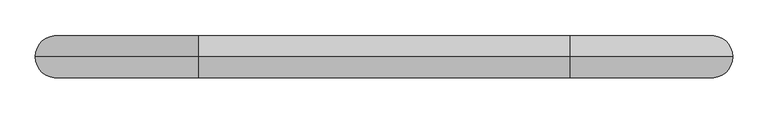
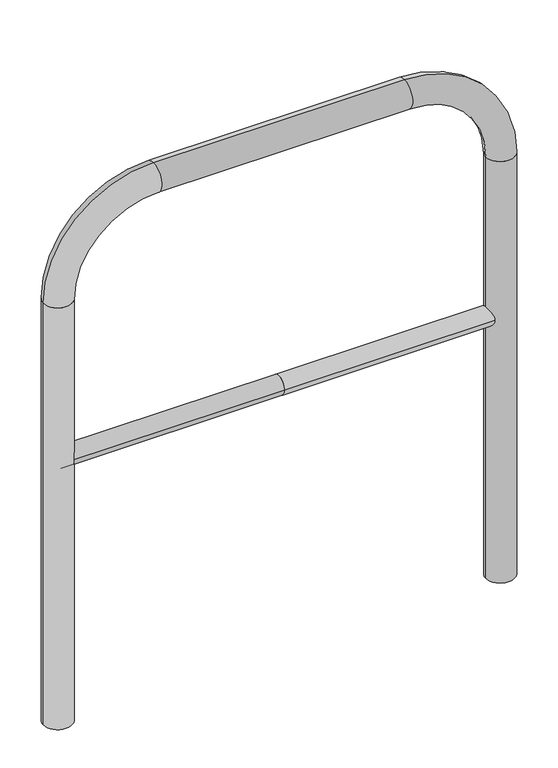
"""IFC4 building model written with IfcOpenShell, lengths in millimetres: proxy geometry."""

from ifc_helpers import new_model, si_unit, point, frame, frame_2d, origin, place, context, project, spatial, circle_curve, ellipse_curve, trimmed, segment, composite_curve, outline, extrude, source, transform, mapped, element, save
from ifc_brep_helpers import plane_surface, cylinder_surface, revolved_surface, advanced_brep


def generic_models_6cb215d6(model_context):
    return source(origin(), model_context, "Body", "SolidModel", [
        extrude(outline(composite_curve([segment(trimmed(circle_curve(frame_2d((0.0, 498.4778375)), 20.0), [point((-20.0, 498.4778375))], [point((20.0, 498.4778375))], False, "CARTESIAN"), True, "CONTINUOUS"), segment(trimmed(circle_curve(frame_2d((0.0, 498.4778375)), 20.0), [point((20.0, 498.4778375))], [point((-20.0, 498.4778375))], False, "CARTESIAN"), True, "CONTINUOUS")], self_intersect=False)), frame((-461.8496422, 0.0, 0.0), z_axis=(1.0, 0.0, 0.0), x_axis=(0.0, 1.0, 0.0)), (0.0, 0.0, 1.0), 461.8496422),
        extrude(outline(composite_curve([segment(trimmed(circle_curve(frame_2d((0.0, 498.4778375)), 20.0), [point((-20.0, 498.4778375))], [point((20.0, 498.4778375))], False, "CARTESIAN"), True, "CONTINUOUS"), segment(trimmed(circle_curve(frame_2d((0.0, 498.4778375)), 20.0), [point((20.0, 498.4778375))], [point((-20.0, 498.4778375))], False, "CARTESIAN"), True, "CONTINUOUS")], self_intersect=False)), frame((0.0, 0.0, 0.0), z_axis=(1.0, 0.0, 0.0), x_axis=(0.0, 1.0, 0.0)), (0.0, 0.0, 1.0), 461.8496422),
        advanced_brep(
        [(-431.8496422, 0.0, -80.0), (-491.8496422, 0.0, -80.0), (-431.8496422, 0.0, 850.0), (-491.8496422, 0.0, 850.0), (-261.8496422, 0.0, 1080.0), (-261.8496422, 0.0, 1020.0), (261.8496422, 0.0, 1020.0), (261.8496422, 0.0, 1080.0), (491.8496422, 0.0, 850.0), (431.8496422, 0.0, 850.0), (431.8496422, 0.0, -80.0), (491.8496422, 0.0, -80.0)],
        [
            (0, 1, circle_curve(frame((-461.8496422, 0.0, -80.0), z_axis=(0.0, 0.0, -1.0), x_axis=(-1.0, 0.0, 0.0)), 30.0)),
            (1, 0, circle_curve(frame((-461.8496422, 0.0, -80.0), z_axis=(0.0, 0.0, -1.0), x_axis=(-1.0, 0.0, 0.0)), 30.0)),
            (0, 2),
            (2, 3, circle_curve(frame((-461.8496422, 0.0, 850.0), z_axis=(0.0, 0.0, -1.0), x_axis=(-1.0, 0.0, 0.0)), 30.0)),
            (3, 1),
            (3, 2, circle_curve(frame((-461.8496422, 0.0, 850.0), z_axis=(0.0, 0.0, -1.0), x_axis=(-1.0, 0.0, 0.0)), 30.0)),
            (4, 3, circle_curve(frame((-261.8496422, 0.0, 850.0), z_axis=(0.0, -1.0, 0.0), x_axis=(-1.0, 0.0, 0.0)), 230.0)),
            (2, 5, circle_curve(frame((-261.8496422, 0.0, 850.0), z_axis=(0.0, 1.0, 0.0), x_axis=(-1.0, 0.0, 0.0)), 170.0)),
            (5, 4, circle_curve(frame((-261.8496422, 0.0, 1050.0), z_axis=(-1.0, 0.0, 0.0), x_axis=(0.0, 0.0, 1.0)), 30.0)),
            (4, 5, circle_curve(frame((-261.8496422, 0.0, 1050.0), z_axis=(-1.0, 0.0, 0.0), x_axis=(0.0, 0.0, 1.0)), 30.0)),
            (5, 6),
            (6, 7, circle_curve(frame((261.8496422, 0.0, 1050.0), z_axis=(-1.0, 0.0, 0.0), x_axis=(0.0, 0.0, 1.0)), 30.0)),
            (7, 4),
            (7, 6, circle_curve(frame((261.8496422, 0.0, 1050.0), z_axis=(-1.0, 0.0, 0.0), x_axis=(0.0, 0.0, 1.0)), 30.0)),
            (8, 7, circle_curve(frame((261.8496422, 0.0, 850.0), z_axis=(0.0, -1.0, 0.0), x_axis=(0.0, 0.0, 1.0)), 230.0)),
            (6, 9, circle_curve(frame((261.8496422, 0.0, 850.0), z_axis=(0.0, 1.0, 0.0), x_axis=(0.0, 0.0, 1.0)), 170.0)),
            (9, 8, circle_curve(frame((461.8496422, 0.0, 850.0), z_axis=(0.0, 0.0, 1.0), x_axis=(1.0, 0.0, 0.0)), 30.0)),
            (8, 9, circle_curve(frame((461.8496422, 0.0, 850.0), z_axis=(0.0, 0.0, 1.0), x_axis=(1.0, 0.0, 0.0)), 30.0)),
            (10, 11, circle_curve(frame((461.8496422, 0.0, -80.0), z_axis=(0.0, 0.0, -1.0), x_axis=(1.0, 0.0, 0.0)), 30.0)),
            (11, 10, circle_curve(frame((461.8496422, 0.0, -80.0), z_axis=(0.0, 0.0, -1.0), x_axis=(1.0, 0.0, 0.0)), 30.0)),
            (9, 10),
            (11, 8),
        ],
        [
            plane_surface(frame((-461.8496422, 0.0, -80.0), z_axis=(0.0, 0.0, -1.0), x_axis=(0.0, -1.0, 0.0))),
            cylinder_surface(frame((-461.8496422, 0.0, -80.0), z_axis=(0.0, 0.0, -1.0), x_axis=(-1.0, 0.0, 0.0)), 30.0),
            revolved_surface(trimmed(ellipse_curve(frame((-461.8496422, 0.0, 850.0), z_axis=(0.0, 0.0, -1.0), x_axis=(-1.0, 0.0, 0.0)), 30.0, 30.0), [point((-431.8496422, 0.0, 850.0))], [point((-491.8496422, 0.0, 850.0))], True, "CARTESIAN"), (-261.8496422, 0.0, 850.0), (0.0, 1.0, 0.0)),
            revolved_surface(trimmed(ellipse_curve(frame((-461.8496422, 0.0, 850.0), z_axis=(0.0, 0.0, -1.0), x_axis=(-1.0, 0.0, 0.0)), 30.0, 30.0), [point((-491.8496422, 0.0, 850.0))], [point((-431.8496422, 0.0, 850.0))], True, "CARTESIAN"), (-261.8496422, 0.0, 850.0), (0.0, 1.0, 0.0)),
            cylinder_surface(frame((-261.8496422, 0.0, 1050.0), z_axis=(-1.0, 0.0, 0.0), x_axis=(0.0, 0.0, 1.0)), 30.0),
            revolved_surface(trimmed(ellipse_curve(frame((261.8496422, 0.0, 1050.0), z_axis=(-1.0, 0.0, 0.0), x_axis=(0.0, 0.0, 1.0)), 30.0, 30.0), [point((261.8496422, 0.0, 1020.0))], [point((261.8496422, 0.0, 1080.0))], True, "CARTESIAN"), (261.8496422, 0.0, 850.0), (0.0, 1.0, 0.0)),
            revolved_surface(trimmed(ellipse_curve(frame((261.8496422, 0.0, 1050.0), z_axis=(-1.0, 0.0, 0.0), x_axis=(0.0, 0.0, 1.0)), 30.0, 30.0), [point((261.8496422, 0.0, 1080.0))], [point((261.8496422, 0.0, 1020.0))], True, "CARTESIAN"), (261.8496422, 0.0, 850.0), (0.0, 1.0, 0.0)),
            plane_surface(frame((461.8496422, 0.0, -80.0), z_axis=(0.0, 0.0, -1.0), x_axis=(0.0, -1.0, 0.0))),
            cylinder_surface(frame((461.8496422, 0.0, 850.0), z_axis=(0.0, 0.0, 1.0), x_axis=(1.0, 0.0, 0.0)), 30.0),
        ],
        [
            (0, [[1, 2]]),
            (1, [[-1, 3, 4, 5]]),
            (1, [[-2, -5, 6, -3]]),
            (2, [[7, -4, 8, 9]]),
            (3, [[-8, -6, -7, 10]]),
            (4, [[-9, 11, 12, 13]]),
            (4, [[-10, -13, 14, -11]]),
            (5, [[15, -12, 16, 17]]),
            (6, [[-16, -14, -15, 18]]),
            (7, [[19, 20]]),
            (8, [[-17, 21, -20, 22]]),
            (8, [[-18, -22, -19, -21]]),
        ],
    ),
    ])


if __name__ == "__main__":
    model = new_model("IFC4")
    model_context = context("Model", 3, world=origin())
    ifc_project = project(units=[si_unit("LENGTHUNIT", "METRE", prefix="MILLI")], contexts=[model_context])
    site = spatial("IfcSite", under=ifc_project)
    building = spatial("IfcBuilding", under=site)
    placement = place(None, origin())
    generic_models_shape = generic_models_6cb215d6(model_context)
    element("IfcBuildingElementProxy", 1, Name="Generic Models", at=placement, inside=building, context=model_context, shape_type="MappedRepresentation", body=[
        mapped(generic_models_shape, transform((0.0, 0.0, 0.0), x_axis=(1.0, 0.0, 0.0), y_axis=(0.0, 1.0, 0.0), z_axis=(0.0, 0.0, 1.0))),
    ])
    save(model, "model.ifc")
